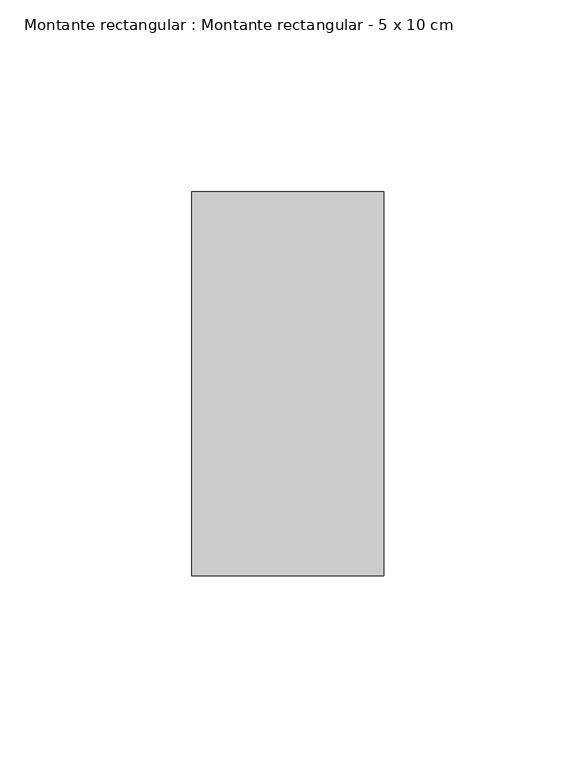
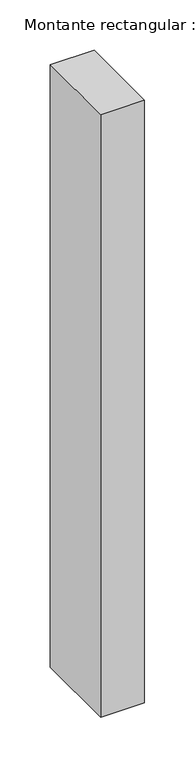
"""IFC4 building model written with IfcOpenShell, lengths in millimetres: member geometry, Montante rectangular : Montante rectangular - 5 x 10 cm."""

from ifc_helpers import new_model, si_unit, frame, origin, place, context, project, spatial, polyline, outline, extrude, source, transform, mapped, element, save


def montante_rectangular_montante_rectangular_5_x_10_cm_f1517034(model_context):
    return source(origin(), model_context, "Body", "SweptSolid", [
        extrude(outline(polyline([(-50.0, 50.0), (0.0, 50.0), (0.0, -50.0), (-50.0, -50.0), (-50.0, 50.0)])), frame((0.0, 0.0, -730.0), z_axis=(0.0, 0.0, 1.0), x_axis=(1.0, 0.0, 0.0)), (0.0, 0.0, 1.0), 730.0),
    ])


if __name__ == "__main__":
    model = new_model("IFC4")
    model_context = context("Model", 3, world=origin())
    ifc_project = project(units=[si_unit("LENGTHUNIT", "METRE", prefix="MILLI")], contexts=[model_context])
    site = spatial("IfcSite", under=ifc_project)
    building = spatial("IfcBuilding", under=site)
    placement = place(None, origin())
    montante_rectangular_montante_rectangular_5_x_10_cm_shape = montante_rectangular_montante_rectangular_5_x_10_cm_f1517034(model_context)
    element("IfcMember", 1, ObjectType="Montante rectangular : Montante rectangular - 5 x 10 cm", at=placement, inside=building, context=model_context, shape_type="MappedRepresentation", body=[
        mapped(montante_rectangular_montante_rectangular_5_x_10_cm_shape, transform((0.0, 0.0, 0.0), x_axis=(1.0, 0.0, 0.0), y_axis=(0.0, 1.0, 0.0), z_axis=(0.0, 0.0, 1.0))),
    ])
    save(model, "model.ifc")
